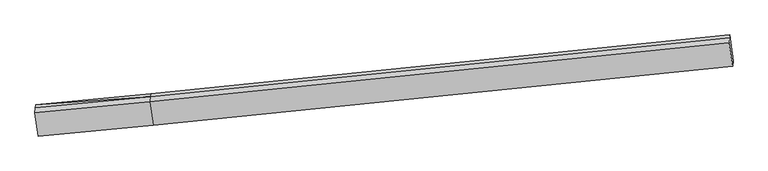
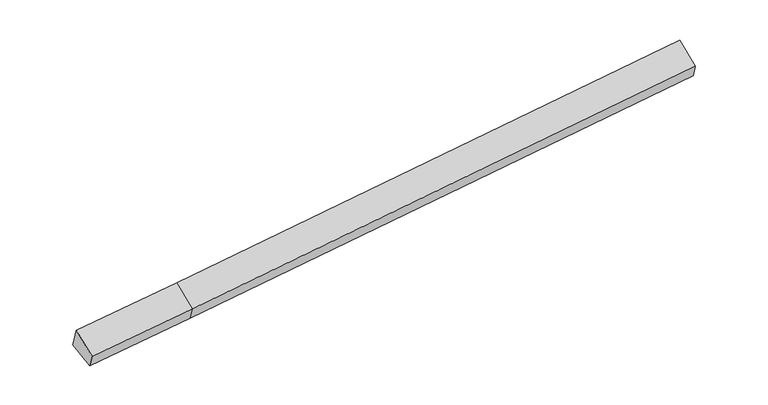
"""IFC4 building model written with IfcOpenShell, lengths in millimetres: proxy geometry."""

from ifc_helpers import new_model, si_unit, origin, place, context, project, spatial, faceted_brep, source, transform, mapped, element, save


def generic_models_74ba7a4c(model_context):
    return source(origin(), model_context, "Body", "Brep", [
        faceted_brep([(-6914.0153618, -2682.104381, 1160.5607656), (-6998.1565207, -2009.286141, 1402.709235), (-4030.7722445, -1728.2501182, 1602.0048843), (-3946.6310856, -2401.0683582, 1359.856415), (-7004.5579101, -2084.4631807, 1609.3670074), (-4037.1736339, -1803.4271579, 1808.6626568), (-7015.6342033, -2214.5416485, 1966.9459501), (-4048.2499271, -1933.5056257, 2166.2415994), (-6925.4068743, -2815.8847407, 1528.3160164), (-3958.0225981, -2534.8487179, 1727.6116657), (10905.7646819, -410.7073306, 3185.578003), (10995.9920109, -1012.0504227, 2746.9480694), (11007.3835233, -878.2700631, 2379.1928186), (10923.2423645, -205.451823, 2621.341288), (10917.2774334, -275.5031555, 2813.9087577)], [[[0, 1, 2, 3]], [[1, 4, 5]], [[4, 6, 7, 5]], [[6, 8, 9, 7]], [[8, 0, 3, 9]], [[10, 11, 12, 13, 14]], [[0, 8, 6, 4, 1]], [[5, 2, 1]], [[7, 9, 11, 10]], [[9, 3, 12, 11]], [[3, 2, 13, 12]], [[2, 5, 14, 13]], [[5, 7, 10, 14]]]),
    ])


if __name__ == "__main__":
    model = new_model("IFC4")
    model_context = context("Model", 3, world=origin())
    ifc_project = project(units=[si_unit("LENGTHUNIT", "METRE", prefix="MILLI")], contexts=[model_context])
    site = spatial("IfcSite", under=ifc_project)
    building = spatial("IfcBuilding", under=site)
    placement = place(None, origin())
    generic_models_shape = generic_models_74ba7a4c(model_context)
    element("IfcBuildingElementProxy", 1, Name="Generic Models", at=placement, inside=building, context=model_context, shape_type="MappedRepresentation", body=[
        mapped(generic_models_shape, transform((0.0, 0.0, 0.0), x_axis=(1.0, 0.0, 0.0), y_axis=(0.0, 1.0, 0.0), z_axis=(0.0, 0.0, 1.0))),
    ])
    save(model, "model.ifc")
